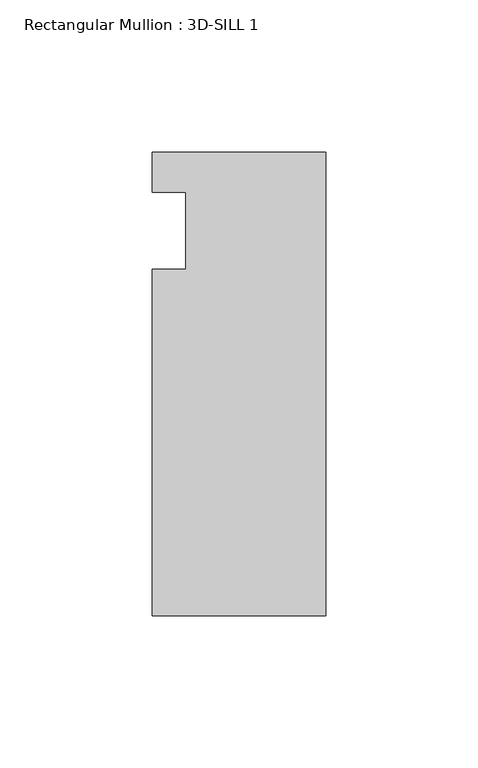
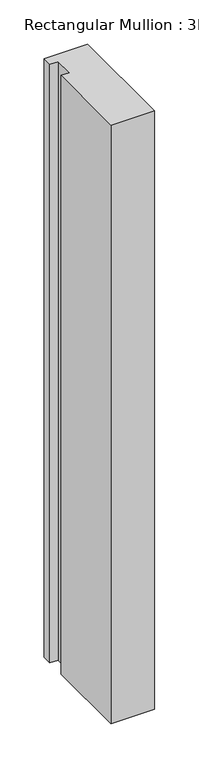
"""IFC4 building model written with IfcOpenShell, lengths in millimetres: member geometry, Rectangular Mullion : 3D-SILL 1."""

from ifc_helpers import new_model, si_unit, frame, origin, place, context, project, spatial, polyline, outline, extrude, source, transform, mapped, element, save


def rectangular_mullion_3d_sill_1_61ebeeb8(model_context):
    return source(origin(), model_context, "Body", "SweptSolid", [
        extrude(outline(polyline([(-57.15, 7.14375), (0.0, 7.14375), (0.0, -145.25625), (-57.15, -145.25625), (-57.15, -31.45155), (-46.0375, -31.45155), (-46.0375, -6.05155), (-57.15, -6.05155), (-57.15, 7.14375)])), frame((0.0, 0.0, -828.675), z_axis=(0.0, 0.0, 1.0), x_axis=(1.0, 0.0, 0.0)), (0.0, 0.0, 1.0), 828.675),
    ])


if __name__ == "__main__":
    model = new_model("IFC4")
    model_context = context("Model", 3, world=origin())
    ifc_project = project(units=[si_unit("LENGTHUNIT", "METRE", prefix="MILLI")], contexts=[model_context])
    site = spatial("IfcSite", under=ifc_project)
    building = spatial("IfcBuilding", under=site)
    placement = place(None, origin())
    rectangular_mullion_3d_sill_1_shape = rectangular_mullion_3d_sill_1_61ebeeb8(model_context)
    element("IfcMember", 1, ObjectType="Rectangular Mullion : 3D-SILL 1", at=placement, inside=building, context=model_context, shape_type="MappedRepresentation", body=[
        mapped(rectangular_mullion_3d_sill_1_shape, transform((0.0, 0.0, 0.0), x_axis=(1.0, 0.0, 0.0), y_axis=(0.0, 1.0, 0.0), z_axis=(0.0, 0.0, 1.0))),
    ])
    save(model, "model.ifc")
